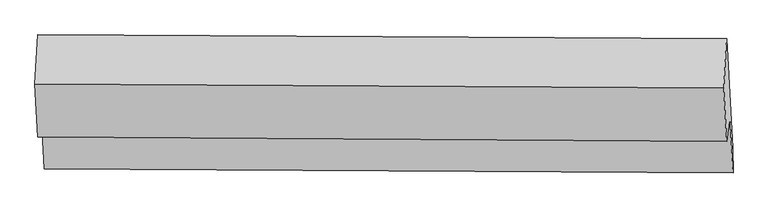
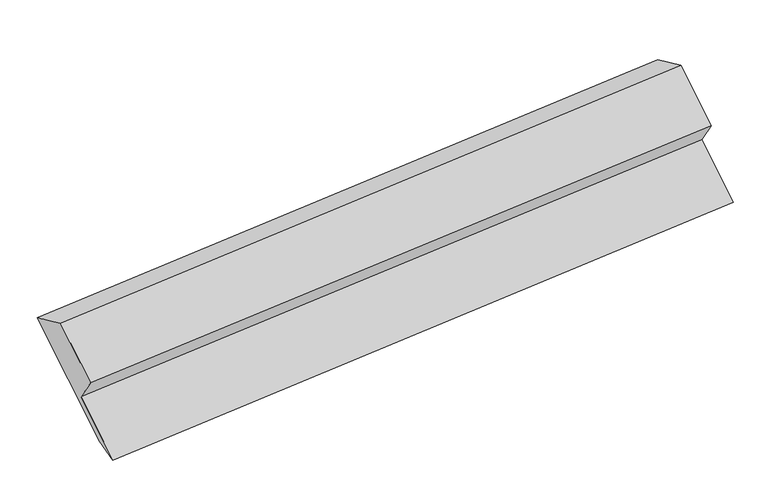
"""IFC4 building model written with IfcOpenShell, lengths in millimetres: proxy geometry."""

from ifc_helpers import new_model, si_unit, origin, place, context, project, spatial, faceted_brep, source, transform, mapped, element, save


def generic_models_1ae41d19(model_context):
    return source(origin(), model_context, "Body", "Brep", [
        faceted_brep([(-6203.3481373, -1783.5464784, 1144.0551713), (-6264.0023141, -709.8469183, 1945.7141593), (498.511086, -749.724038, 2586.0744587), (559.1652627, -1823.423598, 1784.4154707), (-6200.3532855, -2029.0212339, 1079.1105896), (562.1601145, -2068.8983535, 1719.4708889), (-6231.4331739, -1478.8453955, 1489.8897519), (531.5324203, -1526.727252, 2124.2734545), (-6262.805931, -1712.5708798, 1800.5555895), (500.1596633, -1760.4527364, 2434.9392922), (-6292.1651336, -1192.8546034, 2188.5926529), (470.3482665, -1232.7317231, 2828.9529522)], [[[0, 1, 2, 3]], [[4, 0, 3, 5]], [[6, 4, 5, 7]], [[8, 6, 7, 9]], [[10, 8, 9, 11]], [[1, 10, 11, 2]], [[9, 7, 5, 3, 2, 11]], [[1, 0, 4, 6, 8, 10]]]),
    ])


if __name__ == "__main__":
    model = new_model("IFC4")
    model_context = context("Model", 3, world=origin())
    ifc_project = project(units=[si_unit("LENGTHUNIT", "METRE", prefix="MILLI")], contexts=[model_context])
    site = spatial("IfcSite", under=ifc_project)
    building = spatial("IfcBuilding", under=site)
    placement = place(None, origin())
    generic_models_shape = generic_models_1ae41d19(model_context)
    element("IfcBuildingElementProxy", 1, Name="Generic Models", at=placement, inside=building, context=model_context, shape_type="MappedRepresentation", body=[
        mapped(generic_models_shape, transform((0.0, 0.0, 0.0), x_axis=(1.0, 0.0, 0.0), y_axis=(0.0, 1.0, 0.0), z_axis=(0.0, 0.0, 1.0))),
    ])
    save(model, "model.ifc")
